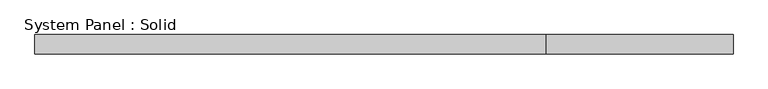
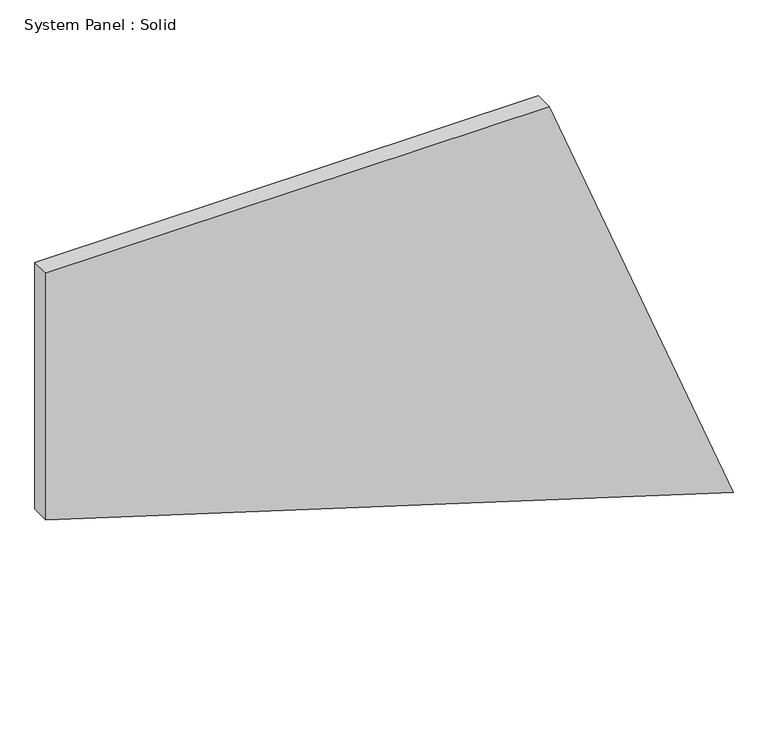
"""IFC4 building model written with IfcOpenShell, lengths in millimetres: plate geometry, System Panel : Solid."""

from ifc_helpers import new_model, si_unit, frame, origin, place, context, project, spatial, polyline, outline, extrude, source, transform, mapped, element, save


def system_panel_solid_0edb384f(model_context):
    return source(origin(), model_context, "Body", "SweptSolid", [
        extrude(outline(polyline([(671.5896212, -1090.874911), (0.0, 1090.874911), (1500.0, 507.3356844), (1500.0, -1090.874911), (671.5896212, -1090.874911)])), frame((0.0, -10.5, 0.0), z_axis=(0.0, 1.0, 0.0), x_axis=(0.0, 0.0, 1.0)), (0.0, 0.0, 1.0), 60.0),
    ])


if __name__ == "__main__":
    model = new_model("IFC4")
    model_context = context("Model", 3, world=origin())
    ifc_project = project(units=[si_unit("LENGTHUNIT", "METRE", prefix="MILLI")], contexts=[model_context])
    site = spatial("IfcSite", under=ifc_project)
    building = spatial("IfcBuilding", under=site)
    placement = place(None, origin())
    system_panel_solid_shape = system_panel_solid_0edb384f(model_context)
    element("IfcPlate", 1, ObjectType="System Panel : Solid", at=placement, inside=building, context=model_context, shape_type="MappedRepresentation", body=[
        mapped(system_panel_solid_shape, transform((0.0, 0.0, 0.0), x_axis=(1.0, 0.0, 0.0), y_axis=(0.0, 1.0, 0.0), z_axis=(0.0, 0.0, 1.0))),
    ])
    save(model, "model.ifc")
